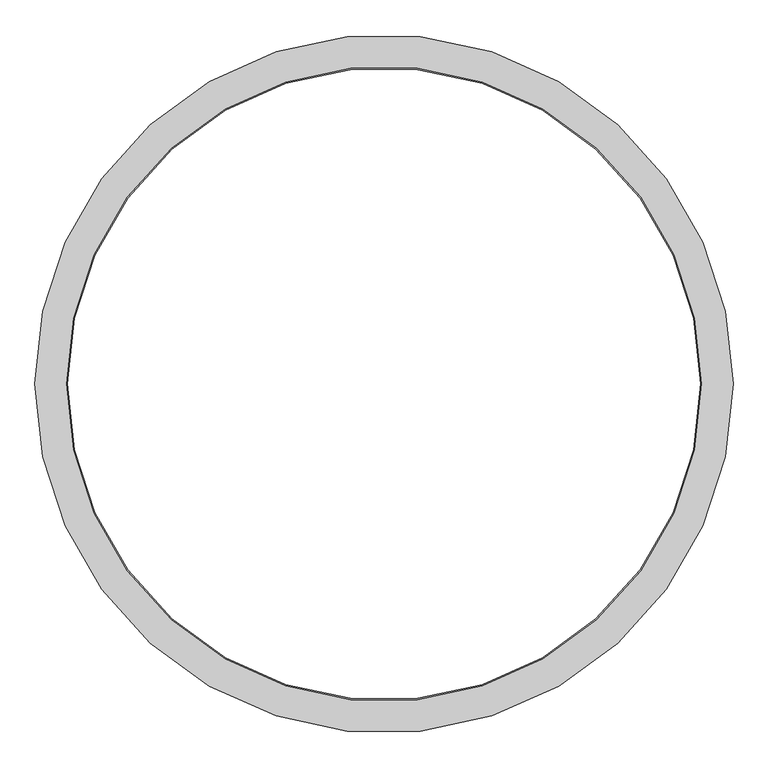
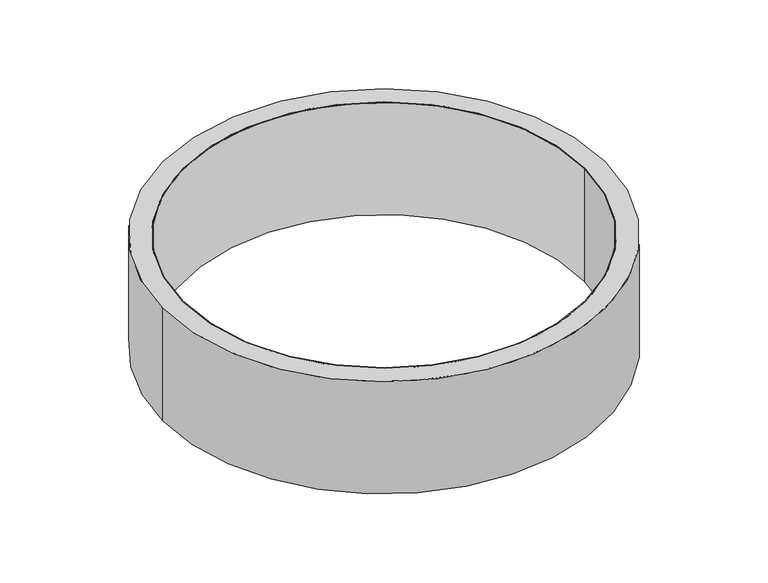
"""IFC4 building model written with IfcOpenShell, lengths in millimetres: proxy geometry."""

from ifc_helpers import new_model, si_unit, point, origin, origin_with_axes, origin_2d, place, context, project, spatial, circle_curve, trimmed, segment, composite_curve, outline, extrude, source, transform, mapped, element, save


def generic_models_6c7a595e(model_context):
    return source(origin(), model_context, "Body", "SweptSolid", [
        extrude(outline(composite_curve([segment(trimmed(circle_curve(origin_2d(), 1000.0), [point((-1000.0, 0.0))], [point((1000.0, 0.0))], False, "CARTESIAN"), True, "CONTINUOUS"), segment(trimmed(circle_curve(origin_2d(), 1000.0), [point((1000.0, 0.0))], [point((-1000.0, 0.0))], False, "CARTESIAN"), True, "CONTINUOUS")], self_intersect=False), holes=[composite_curve([segment(trimmed(circle_curve(origin_2d(), 996.0), [point((-996.0, 0.0))], [point((996.0, 0.0))], True, "CARTESIAN"), True, "CONTINUOUS"), segment(trimmed(circle_curve(origin_2d(), 996.0), [point((996.0, 0.0))], [point((-996.0, 0.0))], True, "CARTESIAN"), True, "CONTINUOUS")], self_intersect=False)]), origin_with_axes(), (0.0, 0.0, 1.0), 590.0),
        extrude(outline(composite_curve([segment(trimmed(circle_curve(origin_2d(), 1100.0), [point((-1100.0, 0.0))], [point((1100.0, 0.0))], False, "CARTESIAN"), True, "CONTINUOUS"), segment(trimmed(circle_curve(origin_2d(), 1100.0), [point((1100.0, 0.0))], [point((-1100.0, 0.0))], False, "CARTESIAN"), True, "CONTINUOUS")], self_intersect=False), holes=[composite_curve([segment(trimmed(circle_curve(origin_2d(), 1000.0), [point((-1000.0, 0.0))], [point((1000.0, 0.0))], True, "CARTESIAN"), True, "CONTINUOUS"), segment(trimmed(circle_curve(origin_2d(), 1000.0), [point((1000.0, 0.0))], [point((-1000.0, 0.0))], True, "CARTESIAN"), True, "CONTINUOUS")], self_intersect=False)]), origin_with_axes(), (0.0, 0.0, 1.0), 590.0),
    ])


if __name__ == "__main__":
    model = new_model("IFC4")
    model_context = context("Model", 3, world=origin())
    ifc_project = project(units=[si_unit("LENGTHUNIT", "METRE", prefix="MILLI")], contexts=[model_context])
    site = spatial("IfcSite", under=ifc_project)
    building = spatial("IfcBuilding", under=site)
    placement = place(None, origin())
    generic_models_shape = generic_models_6c7a595e(model_context)
    element("IfcBuildingElementProxy", 1, Name="Generic Models", at=placement, inside=building, context=model_context, shape_type="MappedRepresentation", body=[
        mapped(generic_models_shape, transform((0.0, 0.0, 0.0), x_axis=(1.0, 0.0, 0.0), y_axis=(0.0, 1.0, 0.0), z_axis=(0.0, 0.0, 1.0))),
    ])
    save(model, "model.ifc")
